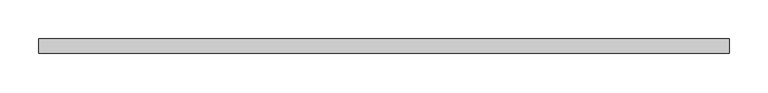
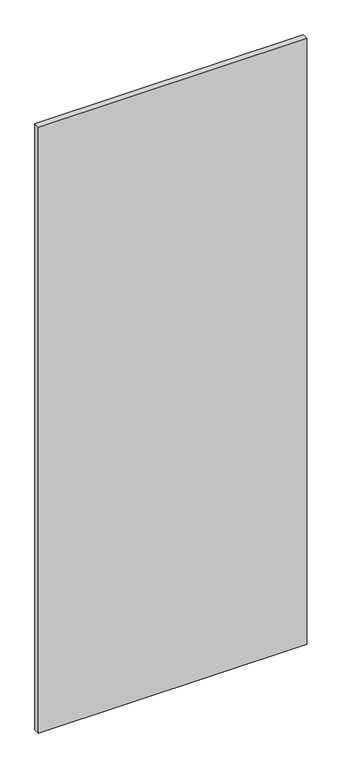
"""IFC4 building model written with IfcOpenShell, lengths in millimetres: proxy geometry."""

from ifc_helpers import new_model, si_unit, frame, origin, place, context, project, spatial, polyline, outline, extrude, source, transform, mapped, element, save


def specialty_equipment_33c76281(model_context):
    return source(origin(), model_context, "Body", "SweptSolid", [
        extrude(outline(polyline([(445.6142736, -9.525), (-445.6142736, -9.525), (-445.6142736, 9.525), (445.6142736, 9.525), (445.6142736, -9.525)])), frame((0.0, 0.0, 3.175), z_axis=(0.0, 0.0, 1.0), x_axis=(1.0, 0.0, 0.0)), (0.0, 0.0, 1.0), 2127.25),
    ])


if __name__ == "__main__":
    model = new_model("IFC4")
    model_context = context("Model", 3, world=origin())
    ifc_project = project(units=[si_unit("LENGTHUNIT", "METRE", prefix="MILLI")], contexts=[model_context])
    site = spatial("IfcSite", under=ifc_project)
    building = spatial("IfcBuilding", under=site)
    placement = place(None, origin())
    specialty_equipment_shape = specialty_equipment_33c76281(model_context)
    element("IfcBuildingElementProxy", 1, Name="Specialty Equipment", at=placement, inside=building, context=model_context, shape_type="MappedRepresentation", body=[
        mapped(specialty_equipment_shape, transform((0.0, 0.0, 0.0), x_axis=(1.0, 0.0, 0.0), y_axis=(0.0, 1.0, 0.0), z_axis=(0.0, 0.0, 1.0))),
    ])
    save(model, "model.ifc")
